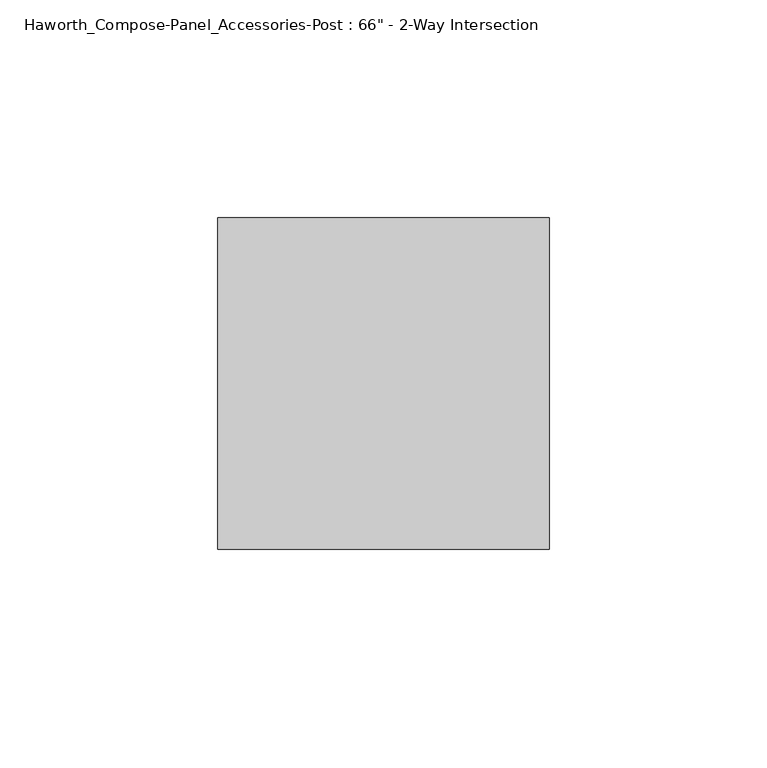
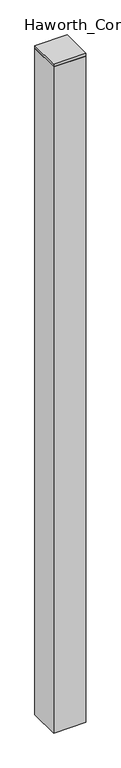
"""IFC4 building model written with IfcOpenShell, lengths in millimetres: furniture geometry."""

import ifcopenshell
import ifcopenshell.guid

model = None  # the IFC model being written
_history = None  # IfcOwnerHistory: only IFC2X3 demands one
_inside = {}  # id of a spatial element -> (the spatial element, [elements in it])
_under = {}  # id of a project, library or spatial element -> (it, [spatial elements below it])
_declared = {}  # id of a project -> (the project, [libraries it declares])
_typed = {}  # id of a type object -> (the type object, [elements of that type])
_made_of = {}  # id of a material, layer set ... -> (it, [elements and type objects made of it])


def new_model(schema):
    """Start an empty IFC model of exactly this schema.

    Asked for "IFC4X3", IfcOpenShell would pick the latest addendum, in which some entities
    have other attributes; the version numbers below select the first issue.
    IFC2X3 requires an IfcOwnerHistory on every rooted entity: one is made here for all.
    """
    global model, _history
    if schema == "IFC4X3":
        model = ifcopenshell.file(schema_version=(4, 3, 0, 0))
    else:
        model = ifcopenshell.file(schema=schema)
    _inside.clear()
    _under.clear()
    _declared.clear()
    _typed.clear()
    _made_of.clear()
    _history = None
    if model.schema == "IFC2X3":
        org = make("IfcOrganization", Name="unknown")
        user = make(
            "IfcPersonAndOrganization",
            ThePerson=make("IfcPerson", FamilyName="unknown"),
            TheOrganization=org,
        )
        app = make(
            "IfcApplication",
            ApplicationDeveloper=org,
            Version="unknown",
            ApplicationFullName="unknown",
            ApplicationIdentifier="unknown",
        )
        _history = make(
            "IfcOwnerHistory",
            OwningUser=user,
            OwningApplication=app,
            ChangeAction="ADDED",
            CreationDate=0,
        )
    return model


def make(cls, **values):
    """One entity of the class cls with the attributes given. An attribute that is None is left unset."""
    return model.create_entity(
        cls, **{name: value for name, value in values.items() if value is not None}
    )


def rooted(cls, **values):
    """An entity with a GlobalId (a new one), such as an element, a storey or a relation."""
    return make(cls, GlobalId=ifcopenshell.guid.new(), OwnerHistory=_history, **values)


def si_unit(unit_type, name, prefix=None):
    """IfcSIUnit, for example si_unit("LENGTHUNIT", "METRE", prefix="MILLI")."""
    return make("IfcSIUnit", UnitType=unit_type, Prefix=prefix, Name=name)


def assignment(units):
    """IfcUnitAssignment: the units of a project."""
    return None if units is None else make("IfcUnitAssignment", Units=units)


def point(xyz):
    """IfcCartesianPoint."""
    return None if xyz is None else make("IfcCartesianPoint", Coordinates=xyz)


def direction(xyz):
    """IfcDirection."""
    return None if xyz is None else make("IfcDirection", DirectionRatios=xyz)


def frame(location, z_axis=None, x_axis=None):
    """IfcAxis2Placement3D, a coordinate frame: its origin and axes. An axis left out is left unset."""
    return make(
        "IfcAxis2Placement3D",
        Location=point(location),
        Axis=direction(z_axis),
        RefDirection=direction(x_axis),
    )


def origin():
    """The frame at (0, 0, 0) with its axes left unset."""
    return frame((0.0, 0.0, 0.0))


def place(relative_to, where):
    """IfcLocalPlacement: puts the frame where relative to a parent placement (None: the world)."""
    return make(
        "IfcLocalPlacement", PlacementRelTo=relative_to, RelativePlacement=where
    )


def context(
    kind, dimensions, precision=None, world=None, true_north=None, identifier=None
):
    """IfcGeometricRepresentationContext, for example the 3D "Model" context."""
    return make(
        "IfcGeometricRepresentationContext",
        ContextIdentifier=identifier,
        ContextType=kind,
        CoordinateSpaceDimension=dimensions,
        Precision=precision,
        WorldCoordinateSystem=world,
        TrueNorth=true_north,
    )


def project(units=None, contexts=None):
    """IfcProject with its units and contexts."""
    return rooted(
        "IfcProject",
        Name="project",
        RepresentationContexts=contexts,
        UnitsInContext=assignment(units),
    )


def spatial(cls, under=None, at=None, **own):
    """A site, building, storey or space (cls), placed at a placement, below another one or the project."""
    s = rooted(cls, ObjectPlacement=at, **own)
    if under is not None:
        _under.setdefault(under.id(), (under, []))[1].append(s)
    return s


def polyline(points):
    """IfcPolyline through the points."""
    return make("IfcPolyline", Points=[point(p) for p in points])


def outline(outer, holes=None, kind="AREA"):
    """IfcArbitraryClosedProfileDef: a profile drawn as a closed curve; with holes, ...WithVoids."""
    if holes is None:
        return make("IfcArbitraryClosedProfileDef", ProfileType=kind, OuterCurve=outer)
    return make(
        "IfcArbitraryProfileDefWithVoids",
        ProfileType=kind,
        OuterCurve=outer,
        InnerCurves=holes,
    )


def extrude(swept, where, along, depth):
    """IfcExtrudedAreaSolid: the profile swept, set in the frame where, extruded along a direction by depth."""
    return make(
        "IfcExtrudedAreaSolid",
        SweptArea=swept,
        Position=where,
        ExtrudedDirection=direction(along),
        Depth=depth,
    )


def shape(context_of_items, identifier, shape_type, items):
    """IfcShapeRepresentation: the items that make up one representation, for example the "Body"."""
    return make(
        "IfcShapeRepresentation",
        ContextOfItems=context_of_items,
        RepresentationIdentifier=identifier,
        RepresentationType=shape_type,
        Items=items,
    )


def source(mapping_origin, context_of_items, identifier, shape_type, items):
    """IfcRepresentationMap: a shape defined once, which mapped items show again and again."""
    return make(
        "IfcRepresentationMap",
        MappingOrigin=mapping_origin,
        MappedRepresentation=shape(context_of_items, identifier, shape_type, items),
    )


def transform(
    local_origin,
    x_axis=None,
    y_axis=None,
    z_axis=None,
    scale=None,
    scale2=None,
    scale3=None,
    uniform=True,
):
    """IfcCartesianTransformationOperator3D, or its non-uniform kind. x_axis, y_axis, z_axis: its Axis1, 2, 3."""
    if uniform:
        return make(
            "IfcCartesianTransformationOperator3D",
            Axis1=direction(x_axis),
            Axis2=direction(y_axis),
            LocalOrigin=point(local_origin),
            Scale=scale,
            Axis3=direction(z_axis),
        )
    return make(
        "IfcCartesianTransformationOperator3DnonUniform",
        Axis1=direction(x_axis),
        Axis2=direction(y_axis),
        LocalOrigin=point(local_origin),
        Scale=scale,
        Axis3=direction(z_axis),
        Scale2=scale2,
        Scale3=scale3,
    )


def mapped(mapping_source, mapping_target):
    """IfcMappedItem: shows the shape of a source again, moved by a transform."""
    return make(
        "IfcMappedItem", MappingSource=mapping_source, MappingTarget=mapping_target
    )


def made_of(thing, what):
    """Note that an element or type object is made of a material, layer set ...; save() writes the relation."""
    if what is not None:
        _made_of.setdefault(what.id(), (what, []))[1].append(thing)
    return thing


def element(
    cls,
    number,
    at=None,
    inside=None,
    cuts=None,
    type_object=None,
    material=None,
    context=None,
    identifier="Body",
    shape_type=None,
    held_by="IfcProductDefinitionShape",
    body=None,
    shapes=None,
    **own,
):
    """One element of the class cls, such as IfcWall. Its Tag is "e" and its number.

    at: its placement. inside: the storey or other place that contains it. cuts: it is an
    opening in that element (IfcRelVoidsElement). A single representation is given by context,
    identifier, shape_type and body (its items); several are given by shapes. held_by: the class
    of the entity that holds the representations. save() writes the other relations.
    """
    e = rooted(cls, Tag="e%d" % number, ObjectPlacement=at, **own)
    if body is not None:
        shapes = [shape(context, identifier, shape_type, body)]
    if shapes is not None:
        e.Representation = make(held_by, Representations=shapes)
    if inside is not None:
        _inside.setdefault(inside.id(), (inside, []))[1].append(e)
    if cuts is not None:
        rooted(
            "IfcRelVoidsElement", RelatingBuildingElement=cuts, RelatedOpeningElement=e
        )
    if type_object is not None:
        _typed.setdefault(type_object.id(), (type_object, []))[1].append(e)
    return made_of(e, material)


def aggregate(whole, parts):
    """IfcRelAggregates: a whole, such as a stair, and the parts it consists of."""
    return rooted("IfcRelAggregates", RelatingObject=whole, RelatedObjects=parts)


def save(model, path):
    """Write the relations noted so far, then the file.

    IfcRelAggregates (storeys below a building ...), IfcRelContainedInSpatialStructure (elements
    in a storey), IfcRelDefinesByType, IfcRelAssociatesMaterial and IfcRelDeclares: one each for
    every whole, place, type object, material and project.
    """
    for whole, parts in _under.values():
        aggregate(whole, parts)
    for where, things in _inside.values():
        rooted(
            "IfcRelContainedInSpatialStructure",
            RelatedElements=things,
            RelatingStructure=where,
        )
    for kind, things in _typed.values():
        rooted("IfcRelDefinesByType", RelatedObjects=things, RelatingType=kind)
    for what, things in _made_of.values():
        rooted("IfcRelAssociatesMaterial", RelatedObjects=things, RelatingMaterial=what)
    for by, libraries in _declared.values():
        rooted("IfcRelDeclares", RelatingContext=by, RelatedDefinitions=libraries)
    model.write(path)


def furniture_cfd2c9b4(model_context):
    return source(origin(), model_context, "Body", "SweptSolid", [
        extrude(outline(polyline([(76.2, 38.1), (76.2, -38.1), (0.0, -38.1), (0.0, 38.1), (76.2, 38.1)])), frame((0.0, 0.0, 12.7), z_axis=(0.0, 0.0, 1.0), x_axis=(1.0, 0.0, 0.0)), (0.0, 0.0, 1.0), 1657.35),
        extrude(outline(polyline([(0.0, 38.1), (76.2, 38.1), (76.2, -38.1), (0.0, -38.1), (0.0, 38.1)])), frame((0.0, 0.0, 1670.05), z_axis=(0.0, 0.0, 1.0), x_axis=(1.0, 0.0, 0.0)), (0.0, 0.0, 1.0), 6.35),
    ])


if __name__ == "__main__":
    model = new_model("IFC4")
    model_context = context("Model", 3, world=origin())
    ifc_project = project(units=[si_unit("LENGTHUNIT", "METRE", prefix="MILLI")], contexts=[model_context])
    site = spatial("IfcSite", under=ifc_project)
    building = spatial("IfcBuilding", under=site)
    placement = place(None, origin())
    furniture_shape = furniture_cfd2c9b4(model_context)
    element("IfcFurniture", 1, ObjectType="Haworth_Compose-Panel_Accessories-Post : 66\" - 2-Way Intersection", at=placement, inside=building, context=model_context, shape_type="MappedRepresentation", body=[
        mapped(furniture_shape, transform((0.0, 0.0, 0.0), x_axis=(1.0, 0.0, 0.0), y_axis=(0.0, 1.0, 0.0), z_axis=(0.0, 0.0, 1.0))),
    ])
    save(model, "model.ifc")
